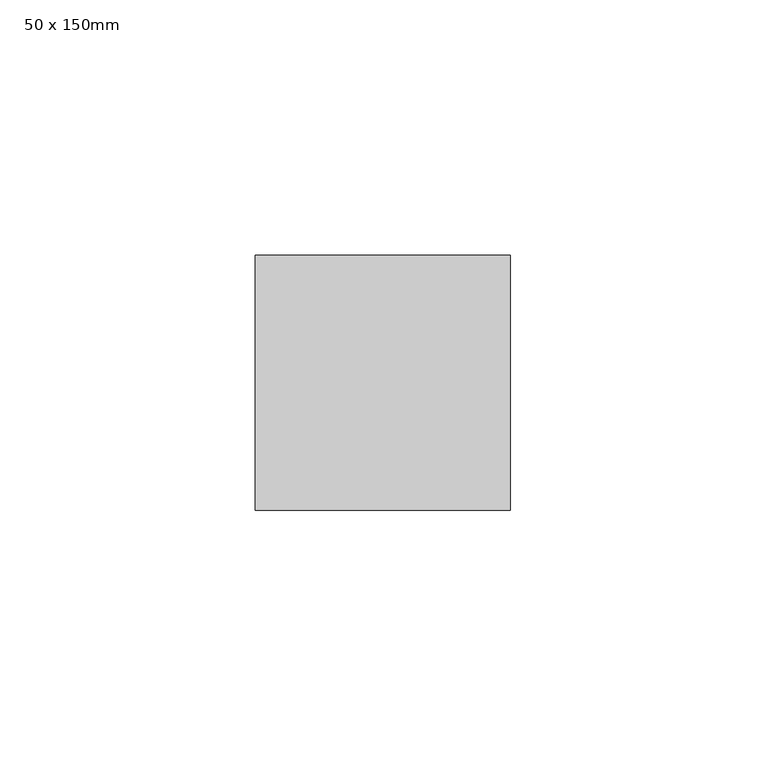
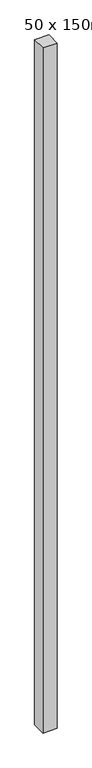
"""IFC4 building model written with IfcOpenShell, lengths in millimetres: member geometry, 50 x 150mm."""

from ifc_helpers import new_model, si_unit, frame, origin, place, context, project, spatial, polyline, outline, extrude, source, transform, mapped, element, save


def member_50_x_150mm_91dc5bde(model_context):
    return source(origin(), model_context, "Body", "SweptSolid", [
        extrude(outline(polyline([(25.0, 25.0), (25.0, -25.0), (-25.0, -25.0), (-25.0, 25.0), (25.0, 25.0)])), frame((0.0, 0.0, -2563.1922884), z_axis=(0.0, 0.0, 1.0), x_axis=(1.0, 0.0, 0.0)), (0.0, 0.0, 1.0), 2563.1922884),
    ])


if __name__ == "__main__":
    model = new_model("IFC4")
    model_context = context("Model", 3, world=origin())
    ifc_project = project(units=[si_unit("LENGTHUNIT", "METRE", prefix="MILLI")], contexts=[model_context])
    site = spatial("IfcSite", under=ifc_project)
    building = spatial("IfcBuilding", under=site)
    placement = place(None, origin())
    member_50_x_150mm_shape = member_50_x_150mm_91dc5bde(model_context)
    element("IfcMember", 1, ObjectType="50 x 150mm", at=placement, inside=building, context=model_context, shape_type="MappedRepresentation", body=[
        mapped(member_50_x_150mm_shape, transform((0.0, 0.0, 0.0), x_axis=(1.0, 0.0, 0.0), y_axis=(0.0, 1.0, 0.0), z_axis=(0.0, 0.0, 1.0))),
    ])
    save(model, "model.ifc")
